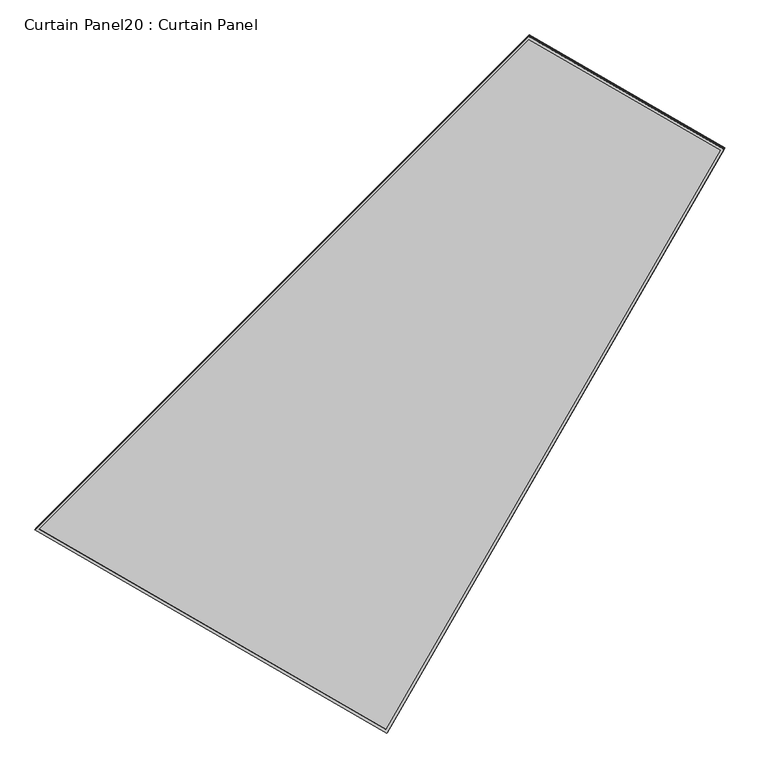
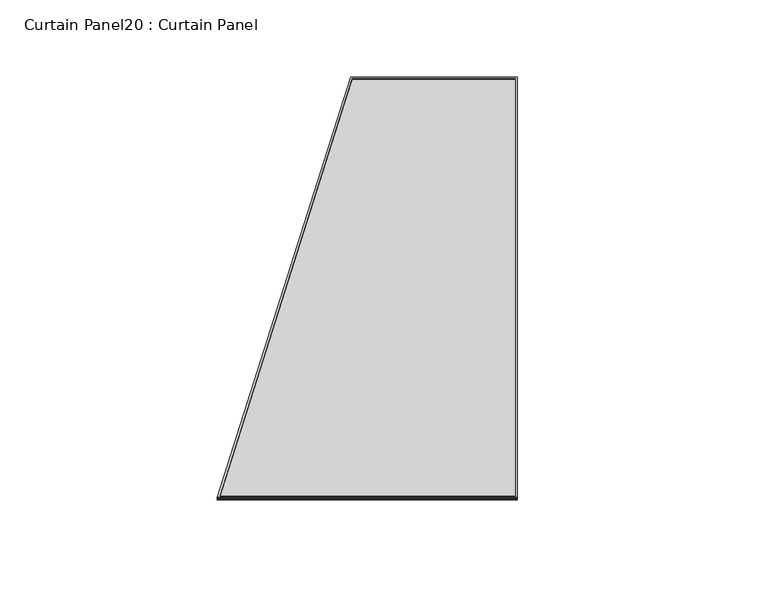
"""IFC4 building model written with IfcOpenShell, lengths in millimetres: plate geometry, Curtain Panel20 : Curtain Panel."""

from ifc_helpers import new_model, si_unit, frame, origin, place, context, project, spatial, polyline, outline, extrude, source, transform, mapped, element, save


def curtain_panel20_curtain_panel_70a153f8(model_context):
    return source(origin(), model_context, "Body", "SweptSolid", [
        extrude(outline(polyline([(903.430398, -2842.276264), (0.0, -2842.276264), (0.0, 0.0), (1625.9547638, 0.0), (903.430398, -2842.276264)]), holes=[polyline([(1611.6639679, -11.1125001), (11.1125, -11.1125), (11.1125, -2831.163764), (894.7893358, -2831.163764), (1611.6639679, -11.1125001)])]), frame((6841.0139977, -6350.1514902, -9.1861143), z_axis=(-0.1580729119869051, -0.2737903148616779, 0.948710608132914), x_axis=(-0.8660254037844348, 0.5000000000000068, 0.0)), (0.0, 0.0, 1.0), 4.8773495),
        extrude(outline(polyline([(903.4303979, -2842.276264), (0.0, -2842.276264), (0.0, 0.0), (1625.9547638, 0.0), (903.4303979, -2842.276264)]), holes=[polyline([(1611.6639679, -11.1125), (11.1124999, -11.1125), (11.1124999, -2831.163764), (894.7893358, -2831.163764), (1611.6639679, -11.1125)])]), frame((6843.7947316, -6345.3351177, -25.8753228), z_axis=(-0.15807291198690476, -0.27379031486167793, 0.948710608132914), x_axis=(-0.8660254037844353, 0.5000000000000059, 0.0)), (0.0, 0.0, 1.0), 4.7820771),
        extrude(outline(polyline([(-596.6683727, 0.0), (1029.2863911, 1e-07), (306.7620253, -2842.276264), (-596.6683727, -2842.276264), (-596.6683727, 0.0)])), frame((6326.3088464, -6048.3102177, -21.3385156), z_axis=(-0.15807291198690496, -0.2737903148616781, 0.9487106081329141), x_axis=(-0.866025403784435, 0.5000000000000063, 0.0)), (0.0, 0.0, 1.0), 12.8093869),
    ])


if __name__ == "__main__":
    model = new_model("IFC4")
    model_context = context("Model", 3, world=origin())
    ifc_project = project(units=[si_unit("LENGTHUNIT", "METRE", prefix="MILLI")], contexts=[model_context])
    site = spatial("IfcSite", under=ifc_project)
    building = spatial("IfcBuilding", under=site)
    placement = place(None, origin())
    curtain_panel20_curtain_panel_shape = curtain_panel20_curtain_panel_70a153f8(model_context)
    element("IfcPlate", 1, ObjectType="Curtain Panel20 : Curtain Panel", at=placement, inside=building, context=model_context, shape_type="MappedRepresentation", body=[
        mapped(curtain_panel20_curtain_panel_shape, transform((0.0, 0.0, 0.0), x_axis=(1.0, 0.0, 0.0), y_axis=(0.0, 1.0, 0.0), z_axis=(0.0, 0.0, 1.0))),
    ])
    save(model, "model.ifc")
